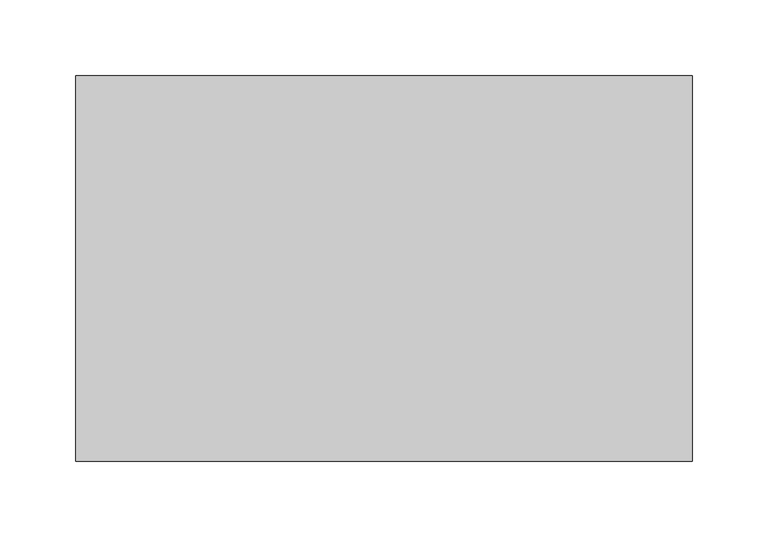
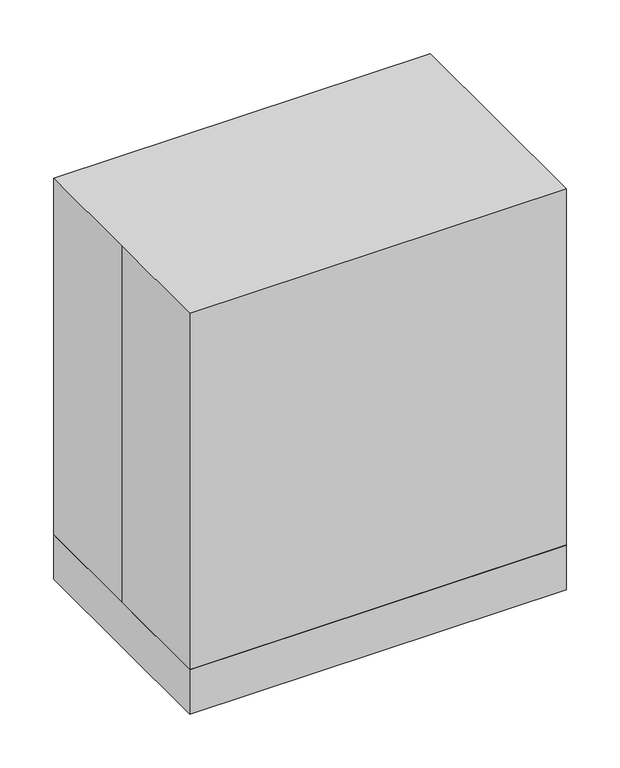
"""IFC4 building model written with IfcOpenShell, lengths in millimetres: proxy geometry."""

from ifc_helpers import new_model, si_unit, point, frame, frame_2d, origin, origin_with_axes, origin_2d, place, context, project, spatial, polyline, circle_curve, trimmed, segment, composite_curve, outline, extrude, source, transform, mapped, element, save
from ifc_brep_helpers import plane_surface, revolved_surface, advanced_brep


def specialty_equipment_9340e7cd(model_context):
    return source(origin(), model_context, "Body", "SolidModel", [
        extrude(outline(composite_curve([segment(trimmed(circle_curve(frame_2d((0.0, 415.925)), 6.35), [point((-6.35, 415.925))], [point((6.35, 415.925))], False, "CARTESIAN"), True, "CONTINUOUS"), segment(trimmed(circle_curve(frame_2d((0.0, 415.925)), 6.35), [point((6.35, 415.925))], [point((-6.35, 415.925))], False, "CARTESIAN"), True, "CONTINUOUS")], self_intersect=False)), frame((-101.6, 0.0, 0.0), z_axis=(1.0, 0.0, 0.0), x_axis=(0.0, 1.0, 0.0)), (0.0, 0.0, 1.0), 203.2),
        extrude(outline(composite_curve([segment(trimmed(circle_curve(origin_2d(), 76.2), [point((-76.2, 0.0))], [point((76.2, 0.0))], False, "CARTESIAN"), True, "CONTINUOUS"), segment(trimmed(circle_curve(origin_2d(), 76.2), [point((76.2, 0.0))], [point((-76.2, 0.0))], False, "CARTESIAN"), True, "CONTINUOUS")], self_intersect=False)), frame((0.0, 0.0, 144.4625), z_axis=(0.0, 0.0, 1.0), x_axis=(1.0, 0.0, 0.0)), (0.0, 0.0, 1.0), 12.7),
        extrude(outline(polyline([(-119.2795856, 31.75), (119.2795856, 31.75), (119.2795856, -31.75), (-119.2795856, -31.75), (-119.2795856, 31.75)])), frame((0.0, 0.0, 311.15), z_axis=(0.0, 0.0, 1.0), x_axis=(1.0, 0.0, 0.0)), (0.0, 0.0, 1.0), 38.1),
        extrude(outline(polyline([(349.25, -119.2795856), (349.25, 119.2795856), (374.65, 50.8), (374.65, -50.8), (349.25, -119.2795856)])), frame((0.0, -31.75, 0.0), z_axis=(0.0, 1.0, 0.0), x_axis=(0.0, 0.0, 1.0)), (0.0, 0.0, 1.0), 63.5),
        extrude(outline(composite_curve([segment(trimmed(circle_curve(frame_2d((145.6774342, 131.0106782)), 25.4), [point((145.6774342, 105.6106782))], [point((145.6774342, 156.4106782))], False, "CARTESIAN"), True, "CONTINUOUS"), segment(trimmed(circle_curve(frame_2d((145.6774342, 131.0106782)), 25.4), [point((145.6774342, 156.4106782))], [point((145.6774342, 105.6106782))], False, "CARTESIAN"), True, "CONTINUOUS")], self_intersect=False)), frame((0.0, -16.3124539, 0.0), z_axis=(0.0, 1.0, 0.0), x_axis=(0.0, 0.0, 1.0)), (0.0, 0.0, 1.0), 17.9272912),
        extrude(outline(composite_curve([segment(trimmed(circle_curve(frame_2d((131.8941293, -7.1641881)), 6.35), [point((125.5441293, -7.1641881))], [point((138.2441293, -7.1641881))], False, "CARTESIAN"), True, "CONTINUOUS"), segment(trimmed(circle_curve(frame_2d((131.8941293, -7.1641881)), 6.35), [point((138.2441293, -7.1641881))], [point((125.5441293, -7.1641881))], False, "CARTESIAN"), True, "CONTINUOUS")], self_intersect=False)), frame((0.0, 0.0, 88.9), z_axis=(0.0, 0.0, 1.0), x_axis=(1.0, 0.0, 0.0)), (0.0, 0.0, 1.0), 38.1),
        extrude(outline(composite_curve([segment(trimmed(circle_curve(origin_2d(), 19.05), [point((-19.05, 0.0))], [point((19.05, 0.0))], False, "CARTESIAN"), True, "CONTINUOUS"), segment(trimmed(circle_curve(origin_2d(), 19.05), [point((19.05, 0.0))], [point((-19.05, 0.0))], False, "CARTESIAN"), True, "CONTINUOUS")], self_intersect=False)), frame((0.0, 0.0, 195.2625), z_axis=(0.0, 0.0, 1.0), x_axis=(1.0, 0.0, 0.0)), (0.0, 0.0, 1.0), 12.7),
        extrude(outline(composite_curve([segment(trimmed(circle_curve(frame_2d((-88.9, 0.0)), 12.7), [point((-76.2, 0.0))], [point((-101.6, 0.0))], False, "CARTESIAN"), True, "CONTINUOUS"), segment(trimmed(circle_curve(frame_2d((-88.9, 0.0)), 12.7), [point((-101.6, 0.0))], [point((-76.2, 0.0))], False, "CARTESIAN"), True, "CONTINUOUS")], self_intersect=False)), frame((0.0, 0.0, 88.9), z_axis=(0.0, 0.0, 1.0), x_axis=(1.0, 0.0, 0.0)), (0.0, 0.0, 1.0), 222.25),
        extrude(outline(composite_curve([segment(trimmed(circle_curve(frame_2d((88.9, 0.0)), 12.7), [point((76.2, 0.0))], [point((101.6, 0.0))], False, "CARTESIAN"), True, "CONTINUOUS"), segment(trimmed(circle_curve(frame_2d((88.9, 0.0)), 12.7), [point((101.6, 0.0))], [point((76.2, 0.0))], False, "CARTESIAN"), True, "CONTINUOUS")], self_intersect=False)), frame((0.0, 0.0, 88.9), z_axis=(0.0, 0.0, 1.0), x_axis=(1.0, 0.0, 0.0)), (0.0, 0.0, 1.0), 222.25),
        advanced_brep(
        [(-19.05, 0.0, 195.2625), (19.05, 0.0, 195.2625), (-76.2, 0.0, 157.1625), (76.2, 0.0, 157.1625)],
        [
            (0, 1, circle_curve(frame((0.0, 0.0, 195.2625), z_axis=(0.0, 0.0, 1.0), x_axis=(-1.0, 0.0, 0.0)), 19.05)),
            (1, 0, circle_curve(frame((0.0, 0.0, 195.2625), z_axis=(0.0, 0.0, 1.0), x_axis=(1.0, 0.0, 0.0)), 19.05)),
            (2, 3, circle_curve(frame((0.0, 0.0, 157.1625), z_axis=(0.0, 0.0, -1.0), x_axis=(1.0, 0.0, 0.0)), 76.2)),
            (3, 2, circle_curve(frame((0.0, 0.0, 157.1625), z_axis=(0.0, 0.0, -1.0), x_axis=(-1.0, 0.0, 0.0)), 76.2)),
            (3, 1),
            (0, 2),
        ],
        [
            plane_surface(frame((0.0, 0.0, 195.2625), z_axis=(0.0, 0.0, 1.0), x_axis=(0.0, -1.0, 0.0))),
            plane_surface(frame((0.0, 0.0, 157.1625), z_axis=(0.0, 0.0, -1.0), x_axis=(0.0, -1.0, 0.0))),
            revolved_surface(polyline([(-19.050000000000022, 0.0, 195.2625), (-76.2, 0.0, 157.1625)]), (0.0, 0.0, 207.9625), (0.0, 0.0, -1.0)),
            revolved_surface(polyline([(19.050000000000022, 0.0, 195.2625), (76.2, 0.0, 157.1625)]), (0.0, 0.0, 207.9625), (0.0, 0.0, -1.0)),
        ],
        [
            (0, [[1, 2]]),
            (1, [[3, 4]]),
            (2, [[-4, 5, -1, 6]]),
            (3, [[-3, -6, -2, -5]]),
        ],
    ),
        extrude(outline(composite_curve([segment(trimmed(circle_curve(origin_2d(), 12.7), [point((-12.7, 0.0))], [point((12.7, 0.0))], False, "CARTESIAN"), True, "CONTINUOUS"), segment(trimmed(circle_curve(origin_2d(), 12.7), [point((12.7, 0.0))], [point((-12.7, 0.0))], False, "CARTESIAN"), True, "CONTINUOUS")], self_intersect=False)), frame((0.0, 0.0, 207.9625), z_axis=(0.0, 0.0, 1.0), x_axis=(1.0, 0.0, 0.0)), (0.0, 0.0, 1.0), 234.95),
        extrude(outline(composite_curve([segment(trimmed(circle_curve(origin_2d(), 76.2), [point((-76.2, 0.0))], [point((76.2, 0.0))], False, "CARTESIAN"), True, "CONTINUOUS"), segment(trimmed(circle_curve(origin_2d(), 76.2), [point((76.2, 0.0))], [point((-76.2, 0.0))], False, "CARTESIAN"), True, "CONTINUOUS")], self_intersect=False)), frame((0.0, 0.0, 88.9), z_axis=(0.0, 0.0, 1.0), x_axis=(1.0, 0.0, 0.0)), (0.0, 0.0, 1.0), 25.4),
        extrude(outline(polyline([(159.7932177, 101.6), (159.7932177, -101.6), (-139.7, -101.6), (-139.7, 101.6), (159.7932177, 101.6)])), frame((0.0, 0.0, 50.8), z_axis=(0.0, 0.0, 1.0), x_axis=(1.0, 0.0, 0.0)), (0.0, 0.0, 1.0), 38.1),
        extrude(outline(polyline([(203.2, 127.0), (203.2, -127.0), (-203.2, -127.0), (-203.2, 127.0), (203.2, 127.0)])), origin_with_axes(), (0.0, 0.0, 1.0), 50.8),
        extrude(outline(polyline([(-203.2, 127.0), (203.2, 127.0), (203.2, -127.0), (-203.2, -127.0), (-203.2, 0.0), (-203.2, 127.0)])), origin_with_axes(), (0.0, 0.0, 1.0), 457.2),
    ])


if __name__ == "__main__":
    model = new_model("IFC4")
    model_context = context("Model", 3, world=origin())
    ifc_project = project(units=[si_unit("LENGTHUNIT", "METRE", prefix="MILLI")], contexts=[model_context])
    site = spatial("IfcSite", under=ifc_project)
    building = spatial("IfcBuilding", under=site)
    placement = place(None, origin())
    specialty_equipment_shape = specialty_equipment_9340e7cd(model_context)
    element("IfcBuildingElementProxy", 1, Name="Specialty Equipment", at=placement, inside=building, context=model_context, shape_type="MappedRepresentation", body=[
        mapped(specialty_equipment_shape, transform((0.0, 0.0, 0.0), x_axis=(1.0, 0.0, 0.0), y_axis=(0.0, 1.0, 0.0), z_axis=(0.0, 0.0, 1.0))),
    ])
    save(model, "model.ifc")
